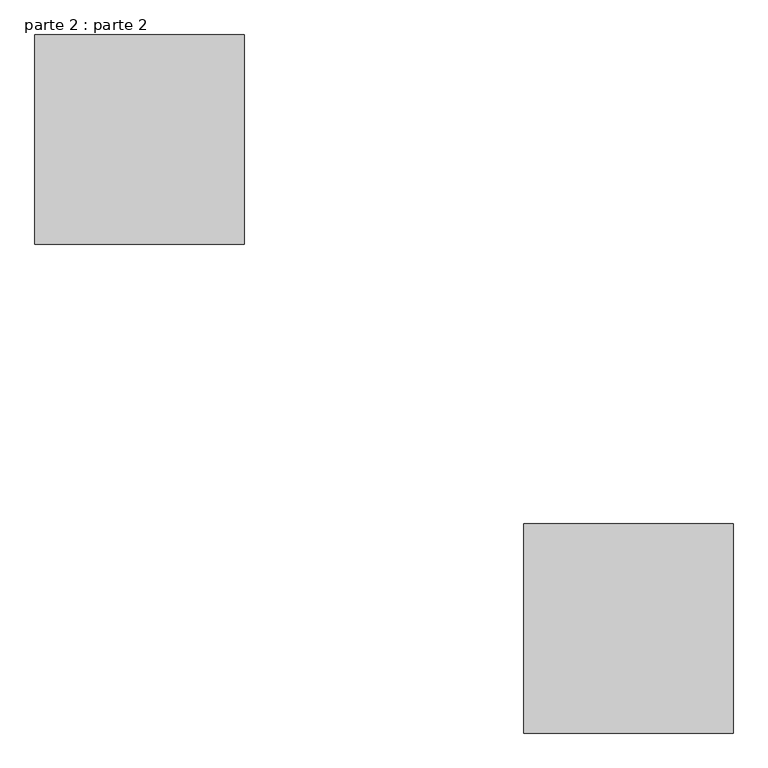
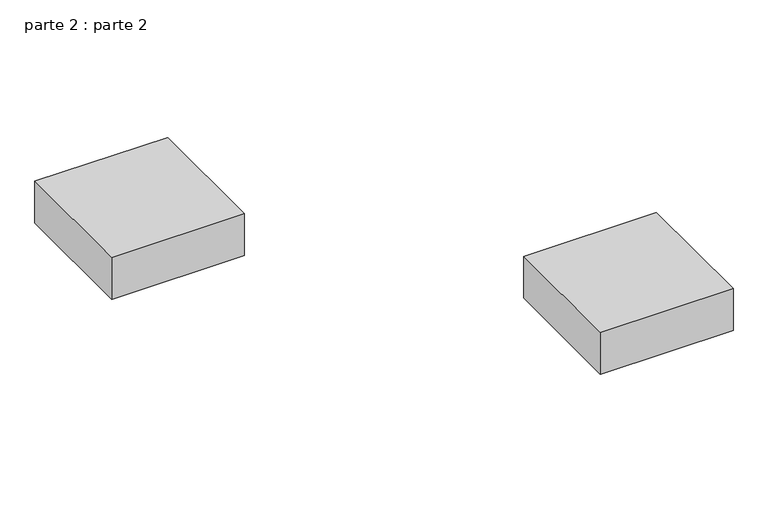
"""IFC4 building model written with IfcOpenShell, lengths in millimetres: proxy geometry, parte 2 : parte 2."""

from ifc_helpers import new_model, si_unit, frame, origin, place, context, project, spatial, polyline, outline, extrude, source, transform, mapped, element, save


def parte_2_parte_2_10bb9766(model_context):
    return source(origin(), model_context, "Body", "SweptSolid", [
        extrude(outline(polyline([(1000.0, 300.0), (1000.0, 0.0), (700.0, 0.0), (700.0, 300.0), (1000.0, 300.0)])), frame((0.0, 0.0, 1400.0), z_axis=(0.0, 0.0, 1.0), x_axis=(1.0, 0.0, 0.0)), (0.0, 0.0, 1.0), 100.0),
        extrude(outline(polyline([(300.0, 1000.0), (300.0, 700.0), (0.0, 700.0), (0.0, 1000.0), (300.0, 1000.0)])), frame((0.0, 0.0, 1400.0), z_axis=(0.0, 0.0, 1.0), x_axis=(1.0, 0.0, 0.0)), (0.0, 0.0, 1.0), 100.0),
    ])


if __name__ == "__main__":
    model = new_model("IFC4")
    model_context = context("Model", 3, world=origin())
    ifc_project = project(units=[si_unit("LENGTHUNIT", "METRE", prefix="MILLI")], contexts=[model_context])
    site = spatial("IfcSite", under=ifc_project)
    building = spatial("IfcBuilding", under=site)
    placement = place(None, origin())
    parte_2_parte_2_shape = parte_2_parte_2_10bb9766(model_context)
    element("IfcBuildingElementProxy", 1, Name="parte 2 : parte 2", ObjectType="parte 2 : parte 2", at=placement, inside=building, context=model_context, shape_type="MappedRepresentation", body=[
        mapped(parte_2_parte_2_shape, transform((0.0, 0.0, 0.0), x_axis=(1.0, 0.0, 0.0), y_axis=(0.0, 1.0, 0.0), z_axis=(0.0, 0.0, 1.0))),
    ])
    save(model, "model.ifc")
